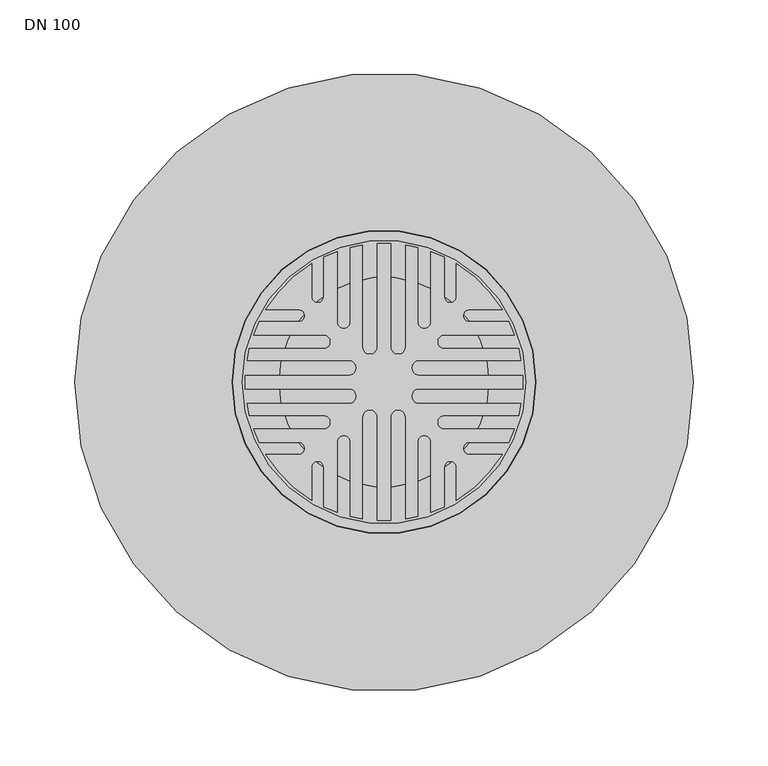
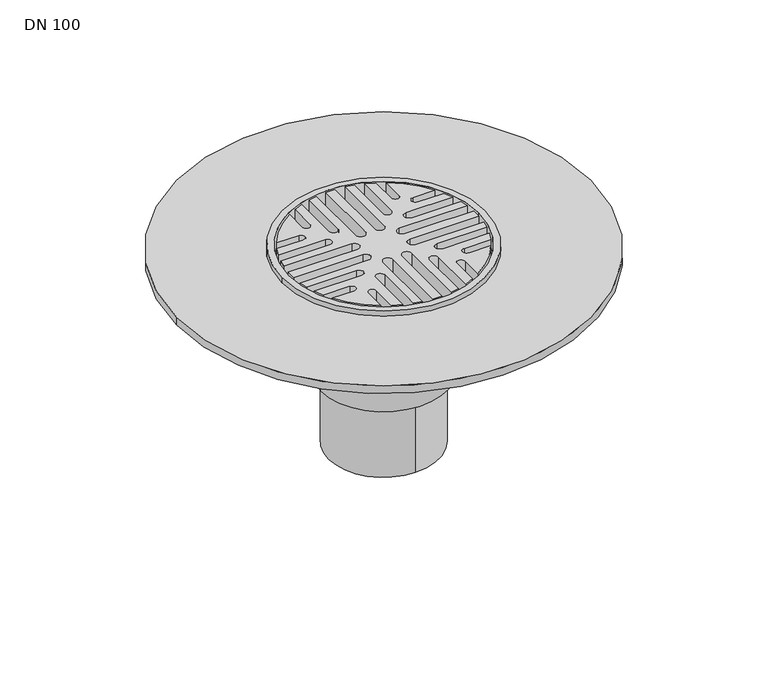
"""IFC4 building model written with IfcOpenShell, lengths in millimetres: sanitary terminal geometry, DN 100."""

from ifc_helpers import new_model, si_unit, point, frame, frame_2d, origin, origin_with_axes, origin_2d, place, context, project, spatial, polyline, circle_curve, trimmed, segment, composite_curve, outline, extrude, source, transform, mapped, element, save
from ifc_brep_helpers import plane_surface, cylinder_surface, revolved_surface, advanced_brep


def dn_100_d7c4cec7(model_context):
    return source(origin(), model_context, "Body", "SolidModel", [
        advanced_brep(
        [(-75.35, 0.0, -45.0), (75.35, 0.0, -45.0), (-70.35, 0.0, -45.0), (70.35, 0.0, -45.0), (75.35, 0.0, -21.0), (-75.35, 0.0, -21.0), (70.35, 0.0, -21.0), (-70.35, 0.0, -21.0), (95.0, 0.0, -16.0), (-95.0, 0.0, -16.0), (-70.35, 0.0, -16.0), (70.35, 0.0, -16.0), (-101.5, 0.0, -21.0), (101.5, 0.0, -21.0), (-101.5, 0.0, 0.0), (101.5, 0.0, 0.0), (-95.0, 0.0, 0.0), (95.0, 0.0, 0.0)],
        [
            (0, 1, circle_curve(frame((0.0, 0.0, -45.0), z_axis=(0.0, 0.0, -1.0), x_axis=(1.0, 0.0, 0.0)), 75.35)),
            (1, 0, circle_curve(frame((0.0, 0.0, -45.0), z_axis=(0.0, 0.0, -1.0), x_axis=(1.0, 0.0, 0.0)), 75.35)),
            (2, 3, circle_curve(frame((0.0, 0.0, -45.0), z_axis=(0.0, 0.0, 1.0), x_axis=(1.0, 0.0, 0.0)), 70.35)),
            (3, 2, circle_curve(frame((0.0, 0.0, -45.0), z_axis=(0.0, 0.0, 1.0), x_axis=(1.0, 0.0, 0.0)), 70.35)),
            (1, 4),
            (4, 5, circle_curve(frame((0.0, 0.0, -21.0), z_axis=(0.0, 0.0, -1.0), x_axis=(1.0, 0.0, 0.0)), 75.35)),
            (5, 0),
            (5, 4, circle_curve(frame((0.0, 0.0, -21.0), z_axis=(0.0, 0.0, -1.0), x_axis=(1.0, 0.0, 0.0)), 75.35)),
            (3, 6),
            (6, 7, circle_curve(frame((0.0, 0.0, -21.0), z_axis=(0.0, 0.0, 1.0), x_axis=(1.0, 0.0, 0.0)), 70.35)),
            (7, 2),
            (7, 6, circle_curve(frame((0.0, 0.0, -21.0), z_axis=(0.0, 0.0, 1.0), x_axis=(1.0, 0.0, 0.0)), 70.35)),
            (8, 9, circle_curve(frame((0.0, 0.0, -16.0), z_axis=(0.0, 0.0, 1.0), x_axis=(1.0, 0.0, 0.0)), 95.0)),
            (9, 8, circle_curve(frame((0.0, 0.0, -16.0), z_axis=(0.0, 0.0, 1.0), x_axis=(1.0, 0.0, 0.0)), 95.0)),
            (10, 11, circle_curve(frame((0.0, 0.0, -16.0), z_axis=(0.0, 0.0, -1.0), x_axis=(1.0, 0.0, 0.0)), 70.35)),
            (11, 10, circle_curve(frame((0.0, 0.0, -16.0), z_axis=(0.0, 0.0, -1.0), x_axis=(1.0, 0.0, 0.0)), 70.35)),
            (12, 13, circle_curve(frame((0.0, 0.0, -21.0), z_axis=(0.0, 0.0, -1.0), x_axis=(1.0, 0.0, 0.0)), 101.5)),
            (13, 12, circle_curve(frame((0.0, 0.0, -21.0), z_axis=(0.0, 0.0, -1.0), x_axis=(1.0, 0.0, 0.0)), 101.5)),
            (10, 7),
            (6, 11),
            (14, 15, circle_curve(origin_with_axes(), 101.5)),
            (15, 14, circle_curve(origin_with_axes(), 101.5)),
            (16, 17, circle_curve(frame((0.0, 0.0, 0.0), z_axis=(0.0, 0.0, -1.0), x_axis=(1.0, 0.0, 0.0)), 95.0)),
            (17, 16, circle_curve(frame((0.0, 0.0, 0.0), z_axis=(0.0, 0.0, -1.0), x_axis=(1.0, 0.0, 0.0)), 95.0)),
            (14, 12),
            (13, 15),
            (16, 9),
            (8, 17),
        ],
        [
            plane_surface(frame((75.35, 0.0, -45.0), z_axis=(0.0, 0.0, -1.0), x_axis=(0.0, -1.0, 0.0))),
            cylinder_surface(frame((0.0, 0.0, -45.0), z_axis=(0.0, 0.0, 1.0), x_axis=(1.0, 0.0, 0.0)), 75.35),
            revolved_surface(polyline([(70.35, 0.0, -45.0), (70.35, 0.0, -21.0)]), (0.0, 0.0, -25.0), (0.0, 0.0, -1.0)),
            plane_surface(frame((95.0, 0.0, -16.0), z_axis=(0.0, 0.0, 1.0), x_axis=(0.0, 1.0, 0.0))),
            plane_surface(frame((95.0, 0.0, -21.0), z_axis=(0.0, 0.0, -1.0), x_axis=(0.0, -1.0, 0.0))),
            revolved_surface(polyline([(70.35, 0.0, -21.0), (70.35, 0.0, -16.0)]), (0.0, 0.0, -25.0), (0.0, 0.0, -1.0)),
            plane_surface(frame((101.5, 0.0, 0.0), z_axis=(0.0, 0.0, 1.0), x_axis=(0.0, 1.0, 0.0))),
            cylinder_surface(frame((0.0, 0.0, -21.0), z_axis=(0.0, 0.0, 1.0), x_axis=(1.0, 0.0, 0.0)), 101.5),
            revolved_surface(polyline([(95.0, 0.0, -16.0), (95.0, 0.0, 0.0)]), (0.0, 0.0, -25.0), (0.0, 0.0, -1.0)),
        ],
        [
            (0, [[1, 2], [3, 4]]),
            (1, [[-2, 5, 6, 7]]),
            (1, [[-1, -7, 8, -5]]),
            (2, [[-4, 9, 10, 11]]),
            (2, [[-3, -11, 12, -9]]),
            (3, [[13, 14], [15, 16]]),
            (4, [[17, 18], [-6, -8]]),
            (5, [[-15, 19, -10, 20]]),
            (5, [[-16, -20, -12, -19]]),
            (6, [[21, 22], [23, 24]]),
            (7, [[-21, 25, -18, 26]]),
            (7, [[-22, -26, -17, -25]]),
            (8, [[-23, 27, -13, 28]]),
            (8, [[-24, -28, -14, -27]]),
        ],
    ),
        extrude(outline(composite_curve([segment(trimmed(circle_curve(frame_2d((-23.6421356, 9.5)), 5.0), [point((-23.6421356, 4.5))], [point((-23.6421356, 14.5))], True, "CARTESIAN"), True, "CONTINUOUS"), segment(polyline([(-23.6421356, 14.5), (-91.8626692, 14.5)]), True, "CONTINUOUS"), segment(trimmed(circle_curve(origin_2d(), 93.0), [point((-91.8626692, 14.5))], [point((-90.2371875, 22.5))], False, "CARTESIAN"), True, "CONTINUOUS"), segment(polyline([(-90.2371875, 22.5), (-40.4350288, 22.5)]), True, "CONTINUOUS"), segment(trimmed(circle_curve(frame_2d((-40.4350288, 27.0)), 4.5), [point((-40.4350288, 22.5))], [point((-40.4350288, 31.5))], True, "CARTESIAN"), True, "CONTINUOUS"), segment(polyline([(-40.4350288, 31.5), (-87.5028571, 31.5)]), True, "CONTINUOUS"), segment(trimmed(circle_curve(origin_2d(), 93.0), [point((-87.5028571, 31.5))], [point((-83.7182776, 40.5))], False, "CARTESIAN"), True, "CONTINUOUS"), segment(polyline([(-83.7182776, 40.5), (-57.2279221, 40.5)]), True, "CONTINUOUS"), segment(trimmed(circle_curve(frame_2d((-57.2279221, 44.5)), 4.0), [point((-57.2279221, 40.5))], [point((-57.2279221, 48.5))], True, "CARTESIAN"), True, "CONTINUOUS"), segment(polyline([(-57.2279221, 48.5), (-79.3520636, 48.5)]), True, "CONTINUOUS"), segment(trimmed(circle_curve(origin_2d(), 93.0), [point((-79.3520636, 48.5))], [point((-48.5, 79.3520636))], False, "CARTESIAN"), True, "CONTINUOUS"), segment(polyline([(-48.5, 79.3520636), (-48.5, 57.2279221)]), True, "CONTINUOUS"), segment(trimmed(circle_curve(frame_2d((-44.5, 57.2279221)), 4.0), [point((-48.5, 57.2279221))], [point((-40.5, 57.2279221))], True, "CARTESIAN"), True, "CONTINUOUS"), segment(polyline([(-40.5, 57.2279221), (-40.5, 83.7182776)]), True, "CONTINUOUS"), segment(trimmed(circle_curve(origin_2d(), 93.0), [point((-40.5, 83.7182776))], [point((-31.5, 87.5028571))], False, "CARTESIAN"), True, "CONTINUOUS"), segment(polyline([(-31.5, 87.5028571), (-31.5, 40.4350288)]), True, "CONTINUOUS"), segment(trimmed(circle_curve(frame_2d((-27.0, 40.4350288)), 4.5), [point((-31.5, 40.4350288))], [point((-22.5, 40.4350288))], True, "CARTESIAN"), True, "CONTINUOUS"), segment(polyline([(-22.5, 40.4350288), (-22.5, 90.2371875)]), True, "CONTINUOUS"), segment(trimmed(circle_curve(origin_2d(), 93.0), [point((-22.5, 90.2371875))], [point((-14.5, 91.8626692))], False, "CARTESIAN"), True, "CONTINUOUS"), segment(polyline([(-14.5, 91.8626692), (-14.5, 23.6421356)]), True, "CONTINUOUS"), segment(trimmed(circle_curve(frame_2d((-9.5, 23.6421356)), 5.0), [point((-14.5, 23.6421356))], [point((-4.5, 23.6421356))], True, "CARTESIAN"), True, "CONTINUOUS"), segment(polyline([(-4.5, 23.6421356), (-4.5, 92.8910652)]), True, "CONTINUOUS"), segment(trimmed(circle_curve(origin_2d(), 93.0), [point((-4.5, 92.8910652))], [point((4.5, 92.8910652))], False, "CARTESIAN"), True, "CONTINUOUS"), segment(polyline([(4.5, 92.8910652), (4.5, 23.6421356)]), True, "CONTINUOUS"), segment(trimmed(circle_curve(frame_2d((9.5, 23.6421356)), 5.0), [point((4.5, 23.6421356))], [point((14.5, 23.6421356))], True, "CARTESIAN"), True, "CONTINUOUS"), segment(polyline([(14.5, 23.6421356), (14.5, 91.8626692)]), True, "CONTINUOUS"), segment(trimmed(circle_curve(origin_2d(), 93.0), [point((14.5, 91.8626692))], [point((22.5, 90.2371875))], False, "CARTESIAN"), True, "CONTINUOUS"), segment(polyline([(22.5, 90.2371875), (22.5, 40.4350288)]), True, "CONTINUOUS"), segment(trimmed(circle_curve(frame_2d((27.0, 40.4350288)), 4.5), [point((22.5, 40.4350288))], [point((31.5, 40.4350288))], True, "CARTESIAN"), True, "CONTINUOUS"), segment(polyline([(31.5, 40.4350288), (31.5, 87.5028571)]), True, "CONTINUOUS"), segment(trimmed(circle_curve(origin_2d(), 93.0), [point((31.5, 87.5028571))], [point((40.5, 83.7182776))], False, "CARTESIAN"), True, "CONTINUOUS"), segment(polyline([(40.5, 83.7182776), (40.5, 57.2279221)]), True, "CONTINUOUS"), segment(trimmed(circle_curve(frame_2d((44.5, 57.2279221)), 4.0), [point((40.5, 57.2279221))], [point((48.5, 57.2279221))], True, "CARTESIAN"), True, "CONTINUOUS"), segment(polyline([(48.5, 57.2279221), (48.5, 79.3520636)]), True, "CONTINUOUS"), segment(trimmed(circle_curve(origin_2d(), 93.0), [point((48.5, 79.3520636))], [point((79.3520636, 48.5))], False, "CARTESIAN"), True, "CONTINUOUS"), segment(polyline([(79.3520636, 48.5), (57.2279221, 48.5)]), True, "CONTINUOUS"), segment(trimmed(circle_curve(frame_2d((57.2279221, 44.5)), 4.0), [point((57.2279221, 48.5))], [point((57.2279221, 40.5))], True, "CARTESIAN"), True, "CONTINUOUS"), segment(polyline([(57.2279221, 40.5), (83.7182776, 40.5)]), True, "CONTINUOUS"), segment(trimmed(circle_curve(origin_2d(), 93.0), [point((83.7182776, 40.5))], [point((87.5028571, 31.5))], False, "CARTESIAN"), True, "CONTINUOUS"), segment(polyline([(87.5028571, 31.5), (40.4350288, 31.5)]), True, "CONTINUOUS"), segment(trimmed(circle_curve(frame_2d((40.4350288, 27.0)), 4.5), [point((40.4350288, 31.5))], [point((40.4350288, 22.5))], True, "CARTESIAN"), True, "CONTINUOUS"), segment(polyline([(40.4350288, 22.5), (90.2371875, 22.5)]), True, "CONTINUOUS"), segment(trimmed(circle_curve(origin_2d(), 93.0), [point((90.2371875, 22.5))], [point((91.8626692, 14.5))], False, "CARTESIAN"), True, "CONTINUOUS"), segment(polyline([(91.8626692, 14.5), (23.6421356, 14.5)]), True, "CONTINUOUS"), segment(trimmed(circle_curve(frame_2d((23.6421356, 9.5)), 5.0), [point((23.6421356, 14.5))], [point((23.6421356, 4.5))], True, "CARTESIAN"), True, "CONTINUOUS"), segment(polyline([(23.6421356, 4.5), (66.0353516, 4.5), (73.1315188, 4.5), (92.8910652, 4.5)]), True, "CONTINUOUS"), segment(trimmed(circle_curve(origin_2d(), 93.0), [point((92.8910652, 4.5))], [point((92.8910652, -4.5))], False, "CARTESIAN"), True, "CONTINUOUS"), segment(polyline([(92.8910652, -4.5), (23.6421356, -4.5)]), True, "CONTINUOUS"), segment(trimmed(circle_curve(frame_2d((23.6421356, -9.5)), 5.0), [point((23.6421356, -4.5))], [point((23.6421356, -14.5))], True, "CARTESIAN"), True, "CONTINUOUS"), segment(polyline([(23.6421356, -14.5), (91.8626692, -14.5)]), True, "CONTINUOUS"), segment(trimmed(circle_curve(origin_2d(), 93.0), [point((91.8626692, -14.5))], [point((90.2371875, -22.5))], False, "CARTESIAN"), True, "CONTINUOUS"), segment(polyline([(90.2371875, -22.5), (40.4350288, -22.5)]), True, "CONTINUOUS"), segment(trimmed(circle_curve(frame_2d((40.4350288, -27.0)), 4.5), [point((40.4350288, -22.5))], [point((40.4350288, -31.5))], True, "CARTESIAN"), True, "CONTINUOUS"), segment(polyline([(40.4350288, -31.5), (87.5028571, -31.5)]), True, "CONTINUOUS"), segment(trimmed(circle_curve(origin_2d(), 93.0), [point((87.5028571, -31.5))], [point((83.7182776, -40.5))], False, "CARTESIAN"), True, "CONTINUOUS"), segment(polyline([(83.7182776, -40.5), (57.2279221, -40.5)]), True, "CONTINUOUS"), segment(trimmed(circle_curve(frame_2d((57.2279221, -44.5)), 4.0), [point((57.2279221, -40.5))], [point((57.2279221, -48.5))], True, "CARTESIAN"), True, "CONTINUOUS"), segment(polyline([(57.2279221, -48.5), (79.3520636, -48.5)]), True, "CONTINUOUS"), segment(trimmed(circle_curve(origin_2d(), 93.0), [point((79.3520636, -48.5))], [point((48.5, -79.3520636))], False, "CARTESIAN"), True, "CONTINUOUS"), segment(polyline([(48.5, -79.3520636), (48.5, -57.2279221)]), True, "CONTINUOUS"), segment(trimmed(circle_curve(frame_2d((44.5, -57.2279221)), 4.0), [point((48.5, -57.2279221))], [point((40.5, -57.2279221))], True, "CARTESIAN"), True, "CONTINUOUS"), segment(polyline([(40.5, -57.2279221), (40.5, -83.7182776)]), True, "CONTINUOUS"), segment(trimmed(circle_curve(origin_2d(), 93.0), [point((40.5, -83.7182776))], [point((31.5, -87.5028571))], False, "CARTESIAN"), True, "CONTINUOUS"), segment(polyline([(31.5, -87.5028571), (31.5, -40.4350288)]), True, "CONTINUOUS"), segment(trimmed(circle_curve(frame_2d((27.0, -40.4350288)), 4.5), [point((31.5, -40.4350288))], [point((22.5, -40.4350288))], True, "CARTESIAN"), True, "CONTINUOUS"), segment(polyline([(22.5, -40.4350288), (22.5, -90.2371875)]), True, "CONTINUOUS"), segment(trimmed(circle_curve(origin_2d(), 93.0), [point((22.5, -90.2371875))], [point((14.5, -91.8626692))], False, "CARTESIAN"), True, "CONTINUOUS"), segment(polyline([(14.5, -91.8626692), (14.5, -23.6421356)]), True, "CONTINUOUS"), segment(trimmed(circle_curve(frame_2d((9.5, -23.6421356)), 5.0), [point((14.5, -23.6421356))], [point((4.5, -23.6421356))], True, "CARTESIAN"), True, "CONTINUOUS"), segment(polyline([(4.5, -23.6421356), (4.5, -92.8910652)]), True, "CONTINUOUS"), segment(trimmed(circle_curve(origin_2d(), 93.0), [point((4.5, -92.8910652))], [point((-4.5, -92.8910652))], False, "CARTESIAN"), True, "CONTINUOUS"), segment(polyline([(-4.5, -92.8910652), (-4.5, -23.6421356)]), True, "CONTINUOUS"), segment(trimmed(circle_curve(frame_2d((-9.5, -23.6421356)), 5.0), [point((-4.5, -23.6421356))], [point((-14.5, -23.6421356))], True, "CARTESIAN"), True, "CONTINUOUS"), segment(polyline([(-14.5, -23.6421356), (-14.5, -91.8626692)]), True, "CONTINUOUS"), segment(trimmed(circle_curve(origin_2d(), 93.0), [point((-14.5, -91.8626692))], [point((-22.5, -90.2371875))], False, "CARTESIAN"), True, "CONTINUOUS"), segment(polyline([(-22.5, -90.2371875), (-22.5, -40.4350288)]), True, "CONTINUOUS"), segment(trimmed(circle_curve(frame_2d((-27.0, -40.4350288)), 4.5), [point((-22.5, -40.4350288))], [point((-31.5, -40.4350288))], True, "CARTESIAN"), True, "CONTINUOUS"), segment(polyline([(-31.5, -40.4350288), (-31.5, -87.5028571)]), True, "CONTINUOUS"), segment(trimmed(circle_curve(origin_2d(), 93.0), [point((-31.5, -87.5028571))], [point((-40.5, -83.7182776))], False, "CARTESIAN"), True, "CONTINUOUS"), segment(polyline([(-40.5, -83.7182776), (-40.5, -57.2279221)]), True, "CONTINUOUS"), segment(trimmed(circle_curve(frame_2d((-44.5, -57.2279221)), 4.0), [point((-40.5, -57.2279221))], [point((-48.5, -57.2279221))], True, "CARTESIAN"), True, "CONTINUOUS"), segment(polyline([(-48.5, -57.2279221), (-48.5, -79.3520636)]), True, "CONTINUOUS"), segment(trimmed(circle_curve(origin_2d(), 93.0), [point((-48.5, -79.3520636))], [point((-79.3520636, -48.5))], False, "CARTESIAN"), True, "CONTINUOUS"), segment(polyline([(-79.3520636, -48.5), (-57.2279221, -48.5)]), True, "CONTINUOUS"), segment(trimmed(circle_curve(frame_2d((-57.2279221, -44.5)), 4.0), [point((-57.2279221, -48.5))], [point((-57.2279221, -40.5))], True, "CARTESIAN"), True, "CONTINUOUS"), segment(polyline([(-57.2279221, -40.5), (-83.7182776, -40.5)]), True, "CONTINUOUS"), segment(trimmed(circle_curve(origin_2d(), 93.0), [point((-83.7182776, -40.5))], [point((-87.5028571, -31.5))], False, "CARTESIAN"), True, "CONTINUOUS"), segment(polyline([(-87.5028571, -31.5), (-40.4350288, -31.5)]), True, "CONTINUOUS"), segment(trimmed(circle_curve(frame_2d((-40.4350288, -27.0)), 4.5), [point((-40.4350288, -31.5))], [point((-40.4350288, -22.5))], True, "CARTESIAN"), True, "CONTINUOUS"), segment(polyline([(-40.4350288, -22.5), (-90.2371875, -22.5)]), True, "CONTINUOUS"), segment(trimmed(circle_curve(origin_2d(), 93.0), [point((-90.2371875, -22.5))], [point((-91.8626692, -14.5))], False, "CARTESIAN"), True, "CONTINUOUS"), segment(polyline([(-91.8626692, -14.5), (-23.6421356, -14.5)]), True, "CONTINUOUS"), segment(trimmed(circle_curve(frame_2d((-23.6421356, -9.5)), 5.0), [point((-23.6421356, -14.5))], [point((-23.6421356, -4.5))], True, "CARTESIAN"), True, "CONTINUOUS"), segment(polyline([(-23.6421356, -4.5), (-92.8910652, -4.5)]), True, "CONTINUOUS"), segment(trimmed(circle_curve(origin_2d(), 93.0), [point((-92.8910652, -4.5))], [point((-92.8910652, 4.5))], False, "CARTESIAN"), True, "CONTINUOUS"), segment(polyline([(-92.8910652, 4.5), (-23.6421356, 4.5)]), True, "CONTINUOUS")], self_intersect=False)), frame((0.0, 0.0, -16.0), z_axis=(0.0, 0.0, 1.0), x_axis=(1.0, 0.0, 0.0)), (0.0, 0.0, 1.0), 16.0),
        advanced_brep(
        [(96.5, 0.0, -59.0), (76.5, 0.0, -59.0), (99.0, 0.0, -34.0), (74.0, 0.0, -34.0)],
        [
            (0, 1, circle_curve(frame((86.5, 0.0, -59.0), z_axis=(0.0, 0.0, -1.0), x_axis=(1.0000000000000002, 0.0, 0.0)), 10.0)),
            (1, 0, circle_curve(frame((86.5, 0.0, -59.0), z_axis=(0.0, 0.0, -1.0), x_axis=(-1.0, 0.0, 0.0)), 10.0)),
            (2, 3, circle_curve(frame((86.5, 0.0, -34.0), z_axis=(0.0, 0.0, 1.0), x_axis=(-1.0, 0.0, 0.0)), 12.5)),
            (3, 2, circle_curve(frame((86.5, 0.0, -34.0), z_axis=(0.0, 0.0, 1.0), x_axis=(1.0000000000000002, 0.0, 0.0)), 12.5)),
            (3, 1),
            (0, 2),
        ],
        [
            plane_surface(frame((86.5, 0.0, -59.0), z_axis=(0.0, 0.0, -1.0), x_axis=(0.0, -1.0, 0.0))),
            plane_surface(frame((86.5, 0.0, -34.0), z_axis=(0.0, 0.0, 1.0), x_axis=(0.0, -1.0, 0.0))),
            revolved_surface(polyline([(96.5, 0.0, -59.0), (99.0, 0.0, -34.0)]), (86.5, 0.0, -159.0), (0.0, 0.0, 1.0)),
            revolved_surface(polyline([(76.5, 0.0, -59.0), (74.0, 0.0, -34.0)]), (86.5, 0.0, -159.0), (0.0, 0.0, 1.0)),
        ],
        [
            (0, [[1, 2]]),
            (1, [[3, 4]]),
            (2, [[-4, 5, -1, 6]]),
            (3, [[-3, -6, -2, -5]]),
        ],
    ),
        advanced_brep(
        [(0.0, -96.5, -59.0), (0.0, -76.5, -59.0), (0.0, -99.0, -34.0), (0.0, -74.0, -34.0)],
        [
            (0, 1, circle_curve(frame((0.0, -86.5, -59.0), z_axis=(0.0, 0.0, -1.0), x_axis=(0.0, -1.0000000000000002, 0.0)), 10.0)),
            (1, 0, circle_curve(frame((0.0, -86.5, -59.0), z_axis=(0.0, 0.0, -1.0), x_axis=(0.0, 1.0, 0.0)), 10.0)),
            (2, 3, circle_curve(frame((0.0, -86.5, -34.0), z_axis=(0.0, 0.0, 1.0), x_axis=(0.0, 1.0, 0.0)), 12.5)),
            (3, 2, circle_curve(frame((0.0, -86.5, -34.0), z_axis=(0.0, 0.0, 1.0), x_axis=(0.0, -1.0000000000000002, 0.0)), 12.5)),
            (3, 1),
            (0, 2),
        ],
        [
            plane_surface(frame((0.0, -86.5, -59.0), z_axis=(0.0, 0.0, -1.0), x_axis=(-1.0, 0.0, 0.0))),
            plane_surface(frame((0.0, -86.5, -34.0), z_axis=(0.0, 0.0, 1.0), x_axis=(-1.0, 0.0, 0.0))),
            revolved_surface(polyline([(0.0, -96.5, -59.0), (0.0, -99.0, -34.0)]), (0.0, -86.5, -159.0), (0.0, 0.0, 1.0)),
            revolved_surface(polyline([(0.0, -76.5, -59.0), (0.0, -74.0, -34.0)]), (0.0, -86.5, -159.0), (0.0, 0.0, 1.0)),
        ],
        [
            (0, [[1, 2]]),
            (1, [[3, 4]]),
            (2, [[-4, 5, -1, 6]]),
            (3, [[-3, -6, -2, -5]]),
        ],
    ),
        advanced_brep(
        [(-96.5, 0.0, -59.0), (-76.5, 0.0, -59.0), (-99.0, 0.0, -34.0), (-74.0, 0.0, -34.0)],
        [
            (0, 1, circle_curve(frame((-86.5, 0.0, -59.0), z_axis=(0.0, 0.0, -1.0), x_axis=(-1.0000000000000002, 0.0, 0.0)), 10.0)),
            (1, 0, circle_curve(frame((-86.5, 0.0, -59.0), z_axis=(0.0, 0.0, -1.0), x_axis=(1.0, 0.0, 0.0)), 10.0)),
            (2, 3, circle_curve(frame((-86.5, 0.0, -34.0), z_axis=(0.0, 0.0, 1.0), x_axis=(1.0, 0.0, 0.0)), 12.5)),
            (3, 2, circle_curve(frame((-86.5, 0.0, -34.0), z_axis=(0.0, 0.0, 1.0), x_axis=(-1.0000000000000002, 0.0, 0.0)), 12.5)),
            (3, 1),
            (0, 2),
        ],
        [
            plane_surface(frame((-86.5, 0.0, -59.0), z_axis=(0.0, 0.0, -1.0), x_axis=(0.0, 1.0, 0.0))),
            plane_surface(frame((-86.5, 0.0, -34.0), z_axis=(0.0, 0.0, 1.0), x_axis=(0.0, 1.0, 0.0))),
            revolved_surface(polyline([(-96.5, 0.0, -59.0), (-99.0, 0.0, -34.0)]), (-86.5, 0.0, -159.0), (0.0, 0.0, 1.0)),
            revolved_surface(polyline([(-76.5, 0.0, -59.0), (-74.0, 0.0, -34.0)]), (-86.5, 0.0, -159.0), (0.0, 0.0, 1.0)),
        ],
        [
            (0, [[1, 2]]),
            (1, [[3, 4]]),
            (2, [[-4, 5, -1, 6]]),
            (3, [[-3, -6, -2, -5]]),
        ],
    ),
        advanced_brep(
        [(0.0, 96.5, -59.0), (0.0, 76.5, -59.0), (0.0, 99.0, -34.0), (0.0, 74.0, -34.0)],
        [
            (0, 1, circle_curve(frame((0.0, 86.5, -59.0), z_axis=(0.0, 0.0, -1.0), x_axis=(0.0, 1.0000000000000002, 0.0)), 10.0)),
            (1, 0, circle_curve(frame((0.0, 86.5, -59.0), z_axis=(0.0, 0.0, -1.0), x_axis=(0.0, -1.0, 0.0)), 10.0)),
            (2, 3, circle_curve(frame((0.0, 86.5, -34.0), z_axis=(0.0, 0.0, 1.0), x_axis=(0.0, -1.0, 0.0)), 12.5)),
            (3, 2, circle_curve(frame((0.0, 86.5, -34.0), z_axis=(0.0, 0.0, 1.0), x_axis=(0.0, 1.0000000000000002, 0.0)), 12.5)),
            (3, 1),
            (0, 2),
        ],
        [
            plane_surface(frame((0.0, 86.5, -59.0), z_axis=(0.0, 0.0, -1.0), x_axis=(1.0, 0.0, 0.0))),
            plane_surface(frame((0.0, 86.5, -34.0), z_axis=(0.0, 0.0, 1.0), x_axis=(1.0, 0.0, 0.0))),
            revolved_surface(polyline([(0.0, 96.5, -59.0), (0.0, 99.0, -34.0)]), (0.0, 86.5, -159.0), (0.0, 0.0, 1.0)),
            revolved_surface(polyline([(0.0, 76.5, -59.0), (0.0, 74.0, -34.0)]), (0.0, 86.5, -159.0), (0.0, 0.0, 1.0)),
        ],
        [
            (0, [[1, 2]]),
            (1, [[3, 4]]),
            (2, [[-4, 5, -1, 6]]),
            (3, [[-3, -6, -2, -5]]),
        ],
    ),
        advanced_brep(
        [(-107.3, 0.0, -13.0), (-107.3, 0.0, -26.0), (107.3, 0.0, -26.0), (107.3, 0.0, -13.0), (-101.87, 0.0, -13.0), (-101.87, 0.0, -26.0), (101.87, 0.0, -26.0), (101.87, 0.0, -13.0), (-100.0, 0.0, -26.0), (100.0, 0.0, -26.0), (-107.3, 0.0, -34.0), (107.3, 0.0, -34.0), (-100.0, 0.0, -34.0), (100.0, 0.0, -34.0), (-207.5, 0.0, -5.0), (207.5, 0.0, -5.0), (-101.87, 0.0, -5.0), (101.87, 0.0, -5.0), (-207.5, 0.0, -13.0), (207.5, 0.0, -13.0)],
        [
            (0, 1),
            (1, 2, circle_curve(frame((0.0, 0.0, -26.0), z_axis=(0.0, 0.0, 1.0), x_axis=(1.0, 0.0, 0.0)), 107.3)),
            (2, 3),
            (3, 0, circle_curve(frame((0.0, 0.0, -13.0), z_axis=(0.0, 0.0, -1.0), x_axis=(1.0, 0.0, 0.0)), 107.3)),
            (0, 3, circle_curve(frame((0.0, 0.0, -13.0), z_axis=(0.0, 0.0, -1.0), x_axis=(1.0, 0.0, 0.0)), 107.3)),
            (2, 1, circle_curve(frame((0.0, 0.0, -26.0), z_axis=(0.0, 0.0, 1.0), x_axis=(1.0, 0.0, 0.0)), 107.3)),
            (4, 5),
            (5, 6, circle_curve(frame((0.0, 0.0, -26.0), z_axis=(0.0, 0.0, -1.0), x_axis=(1.0, 0.0, 0.0)), 101.87)),
            (6, 7),
            (7, 4, circle_curve(frame((0.0, 0.0, -13.0), z_axis=(0.0, 0.0, 1.0), x_axis=(1.0, 0.0, 0.0)), 101.87)),
            (4, 7, circle_curve(frame((0.0, 0.0, -13.0), z_axis=(0.0, 0.0, 1.0), x_axis=(1.0, 0.0, 0.0)), 101.87)),
            (6, 5, circle_curve(frame((0.0, 0.0, -26.0), z_axis=(0.0, 0.0, -1.0), x_axis=(1.0, 0.0, 0.0)), 101.87)),
            (8, 9, circle_curve(frame((0.0, 0.0, -26.0), z_axis=(0.0, 0.0, -1.0), x_axis=(1.0, 0.0, 0.0)), 100.0)),
            (9, 8, circle_curve(frame((0.0, 0.0, -26.0), z_axis=(0.0, 0.0, -1.0), x_axis=(1.0, 0.0, 0.0)), 100.0)),
            (10, 11, circle_curve(frame((0.0, 0.0, -34.0), z_axis=(0.0, 0.0, -1.0), x_axis=(1.0, 0.0, 0.0)), 107.3)),
            (11, 10, circle_curve(frame((0.0, 0.0, -34.0), z_axis=(0.0, 0.0, -1.0), x_axis=(1.0, 0.0, 0.0)), 107.3)),
            (12, 13, circle_curve(frame((0.0, 0.0, -34.0), z_axis=(0.0, 0.0, 1.0), x_axis=(1.0, 0.0, 0.0)), 100.0)),
            (13, 12, circle_curve(frame((0.0, 0.0, -34.0), z_axis=(0.0, 0.0, 1.0), x_axis=(1.0, 0.0, 0.0)), 100.0)),
            (8, 12),
            (13, 9),
            (11, 2),
            (1, 10),
            (14, 15, circle_curve(frame((0.0, 0.0, -5.0), z_axis=(0.0, 0.0, 1.0), x_axis=(1.0, 0.0, 0.0)), 207.5)),
            (15, 14, circle_curve(frame((0.0, 0.0, -5.0), z_axis=(0.0, 0.0, 1.0), x_axis=(1.0, 0.0, 0.0)), 207.5)),
            (16, 17, circle_curve(frame((0.0, 0.0, -5.0), z_axis=(0.0, 0.0, -1.0), x_axis=(1.0, 0.0, 0.0)), 101.87)),
            (17, 16, circle_curve(frame((0.0, 0.0, -5.0), z_axis=(0.0, 0.0, -1.0), x_axis=(1.0, 0.0, 0.0)), 101.87)),
            (18, 19, circle_curve(frame((0.0, 0.0, -13.0), z_axis=(0.0, 0.0, -1.0), x_axis=(1.0, 0.0, 0.0)), 207.5)),
            (19, 18, circle_curve(frame((0.0, 0.0, -13.0), z_axis=(0.0, 0.0, -1.0), x_axis=(1.0, 0.0, 0.0)), 207.5)),
            (14, 18),
            (19, 15),
            (16, 4),
            (7, 17),
        ],
        [
            cylinder_surface(frame((0.0, 0.0, -26.0), z_axis=(0.0, 0.0, 1.0), x_axis=(1.0, 0.0, 0.0)), 107.3),
            revolved_surface(polyline([(101.87, 0.0, -26.0), (101.87, 0.0, -13.0)]), (0.0, 0.0, -26.0), (0.0, 0.0, -1.0)),
            plane_surface(frame((100.0, 0.0, -26.0), z_axis=(0.0, 0.0, 1.0), x_axis=(0.0, -1.0, 0.0))),
            plane_surface(frame((100.0, 0.0, -34.0), z_axis=(0.0, 0.0, -1.0), x_axis=(0.0, 1.0, 0.0))),
            revolved_surface(polyline([(100.0, 0.0, -34.0), (100.0, 0.0, -26.0)]), (0.0, 0.0, -34.0), (0.0, 0.0, -1.0)),
            plane_surface(frame((207.5, 0.0, -5.0), z_axis=(0.0, 0.0, 1.0), x_axis=(0.0, 1.0, 0.0))),
            plane_surface(frame((207.5, 0.0, -13.0), z_axis=(0.0, 0.0, -1.0), x_axis=(0.0, -1.0, 0.0))),
            cylinder_surface(frame((0.0, 0.0, -13.0), z_axis=(0.0, 0.0, 1.0), x_axis=(1.0, 0.0, 0.0)), 207.5),
            revolved_surface(polyline([(101.87, 0.0, -13.0), (101.87, 0.0, -5.0)]), (0.0, 0.0, -26.0), (0.0, 0.0, -1.0)),
        ],
        [
            (0, [[1, 2, 3, 4]]),
            (0, [[-1, 5, -3, 6]]),
            (1, [[7, 8, 9, 10]]),
            (1, [[-7, 11, -9, 12]]),
            (2, [[-8, -12], [13, 14]]),
            (3, [[15, 16], [17, 18]]),
            (4, [[-13, 19, -18, 20]]),
            (4, [[-14, -20, -17, -19]]),
            (0, [[-16, 21, -2, 22]]),
            (0, [[-15, -22, -6, -21]]),
            (5, [[23, 24], [25, 26]]),
            (6, [[27, 28], [-4, -5]]),
            (7, [[-23, 29, -28, 30]]),
            (7, [[-24, -30, -27, -29]]),
            (8, [[-25, 31, -10, 32]]),
            (8, [[-26, -32, -11, -31]]),
        ],
    ),
        advanced_brep(
        [(-100.0, 0.0, -26.0), (100.0, 0.0, -26.0), (-100.0, 0.0, -34.0), (100.0, 0.0, -34.0), (-82.0, 0.0, -34.0), (82.0, 0.0, -34.0), (-82.0, 0.0, -59.63), (82.0, 0.0, -59.63), (67.2, 0.0, -69.98), (-67.2, 0.0, -69.98), (0.0, 55.0, -208.73), (0.0, -55.0, -208.73), (0.0, -55.0, -133.73), (0.0, 55.0, -133.73), (-62.85, 0.0, -133.73), (62.85, 0.0, -133.73)],
        [
            (0, 1, circle_curve(frame((0.0, 0.0, -26.0), z_axis=(0.0, 0.0, 1.0), x_axis=(1.0, 0.0, 0.0)), 100.0)),
            (1, 0, circle_curve(frame((0.0, 0.0, -26.0), z_axis=(0.0, 0.0, 1.0), x_axis=(1.0, 0.0, 0.0)), 100.0)),
            (2, 3, circle_curve(frame((0.0, 0.0, -34.0), z_axis=(0.0, 0.0, -1.0), x_axis=(1.0, 0.0, 0.0)), 100.0)),
            (3, 2, circle_curve(frame((0.0, 0.0, -34.0), z_axis=(0.0, 0.0, -1.0), x_axis=(1.0, 0.0, 0.0)), 100.0)),
            (4, 5, circle_curve(frame((0.0, 0.0, -34.0), z_axis=(0.0, 0.0, 1.0), x_axis=(1.0, 0.0, 0.0)), 82.0)),
            (5, 4, circle_curve(frame((0.0, 0.0, -34.0), z_axis=(0.0, 0.0, 1.0), x_axis=(1.0, 0.0, 0.0)), 82.0)),
            (4, 6),
            (6, 7, circle_curve(frame((0.0, 0.0, -59.63), z_axis=(0.0, 0.0, 1.0), x_axis=(1.0, 0.0, 0.0)), 82.0)),
            (7, 5),
            (7, 6, circle_curve(frame((0.0, 0.0, -59.63), z_axis=(0.0, 0.0, 1.0), x_axis=(1.0, 0.0, 0.0)), 82.0)),
            (8, 7),
            (6, 9),
            (9, 8, circle_curve(frame((0.0, 0.0, -69.98), z_axis=(0.0, 0.0, 1.0), x_axis=(-1.0, 0.0, 0.0)), 67.2)),
            (8, 9, circle_curve(frame((0.0, 0.0, -69.98), z_axis=(0.0, 0.0, 1.0), x_axis=(1.0, 0.0, 0.0)), 67.2)),
            (10, 11, circle_curve(frame((0.0, 0.0, -208.73), z_axis=(0.0, 0.0, -1.0), x_axis=(0.0, -1.0, 0.0)), 55.0)),
            (11, 10, circle_curve(frame((0.0, 0.0, -208.73), z_axis=(0.0, 0.0, -1.0), x_axis=(0.0, -1.0, 0.0)), 55.0)),
            (11, 12),
            (12, 13, circle_curve(frame((0.0, 0.0, -133.73), z_axis=(0.0, 0.0, -1.0), x_axis=(0.0, -1.0, 0.0)), 55.0)),
            (13, 10),
            (13, 12, circle_curve(frame((0.0, 0.0, -133.73), z_axis=(0.0, 0.0, -1.0), x_axis=(0.0, -1.0, 0.0)), 55.0)),
            (14, 15, circle_curve(frame((0.0, 0.0, -133.73), z_axis=(0.0, 0.0, -1.0), x_axis=(1.0, 0.0, 0.0)), 62.85)),
            (15, 14, circle_curve(frame((0.0, 0.0, -133.73), z_axis=(0.0, 0.0, -1.0), x_axis=(-1.0, 0.0, 0.0)), 62.85)),
            (15, 8),
            (9, 14),
            (0, 2),
            (3, 1),
        ],
        [
            plane_surface(frame((-10.0, 10.0, -26.0), z_axis=(0.0, 0.0, 1.0), x_axis=(-1.0, 0.0, 0.0))),
            plane_surface(frame((-10.0, 10.0, -34.0), z_axis=(0.0, 0.0, -1.0), x_axis=(1.0, 0.0, 0.0))),
            cylinder_surface(frame((0.0, 0.0, -59.63), z_axis=(0.0, 0.0, 1.0), x_axis=(1.0, 0.0, 0.0)), 82.0),
            revolved_surface(polyline([(67.20000000139508, 0.0, -69.98), (82.0, 0.0, -59.63)]), (0.0, 0.0, -116.9745946), (0.0, 0.0, 1.0)),
            plane_surface(frame((0.0, -55.0, -208.73), z_axis=(0.0, 0.0, -1.0), x_axis=(-1.0, 0.0, 0.0))),
            cylinder_surface(frame((0.0, 0.0, -208.73), z_axis=(0.0, 0.0, 1.0), x_axis=(0.0, -1.0, 0.0)), 55.0),
            plane_surface(frame((0.0, 0.0, -133.73), z_axis=(0.0, 0.0, -1.0), x_axis=(0.0, -1.0, 0.0))),
            revolved_surface(polyline([(62.84999999996954, 0.0, -133.73000000000002), (67.2, 0.0, -69.98000000000002)]), (0.0, 0.0, -1054.8075862), (0.0, 0.0, 1.0)),
            revolved_surface(polyline([(-62.84999999996954, 0.0, -133.73000000000002), (-67.2, 0.0, -69.98000000000002)]), (0.0, 0.0, -1054.8075862), (0.0, 0.0, 1.0)),
            cylinder_surface(frame((0.0, 0.0, -34.0), z_axis=(0.0, 0.0, 1.0), x_axis=(1.0, 0.0, 0.0)), 100.0),
        ],
        [
            (0, [[1, 2]]),
            (1, [[3, 4], [5, 6]]),
            (2, [[7, 8, 9, -5]]),
            (2, [[-7, -6, -9, 10]]),
            (3, [[11, -8, 12, 13]]),
            (3, [[-11, 14, -12, -10]]),
            (4, [[15, 16]]),
            (5, [[-16, 17, 18, 19]]),
            (5, [[-15, -19, 20, -17]]),
            (6, [[21, 22], [-18, -20]]),
            (7, [[-22, 23, -13, 24]]),
            (8, [[-21, -24, -14, -23]]),
            (9, [[-1, 25, -4, 26]]),
            (9, [[-2, -26, -3, -25]]),
        ],
    ),
    ])


if __name__ == "__main__":
    model = new_model("IFC4")
    model_context = context("Model", 3, world=origin())
    ifc_project = project(units=[si_unit("LENGTHUNIT", "METRE", prefix="MILLI")], contexts=[model_context])
    site = spatial("IfcSite", under=ifc_project)
    building = spatial("IfcBuilding", under=site)
    placement = place(None, origin())
    dn_100_shape = dn_100_d7c4cec7(model_context)
    element("IfcSanitaryTerminal", 1, ObjectType="DN 100", at=placement, inside=building, context=model_context, shape_type="MappedRepresentation", body=[
        mapped(dn_100_shape, transform((0.0, 0.0, 0.0), x_axis=(1.0, 0.0, 0.0), y_axis=(0.0, 1.0, 0.0), z_axis=(0.0, 0.0, 1.0))),
    ])
    save(model, "model.ifc")
